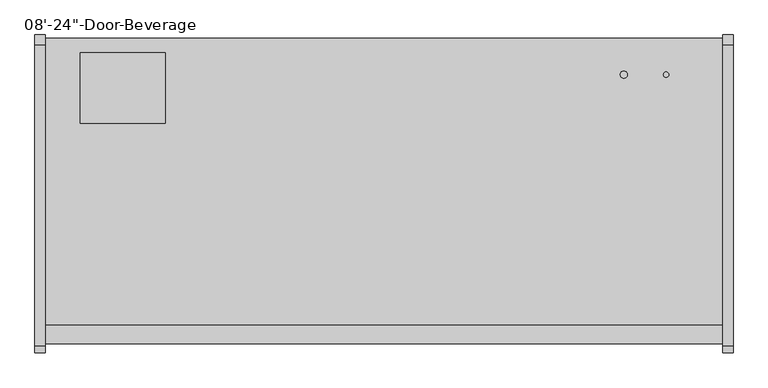
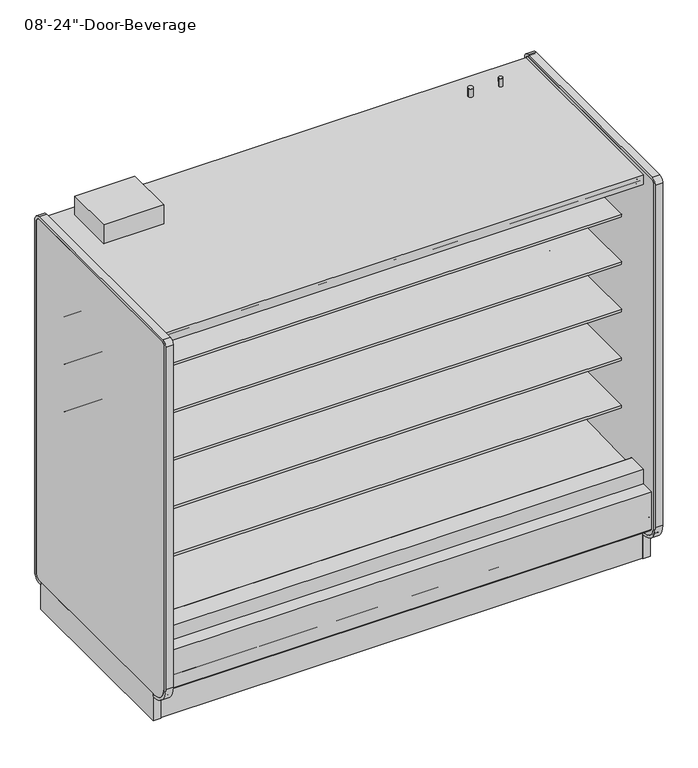
"""IFC4 building model written with IfcOpenShell, lengths in millimetres: proxy geometry."""

from ifc_helpers import new_model, si_unit, point, frame, frame_2d, origin, origin_with_axes, place, context, project, spatial, polyline, circle_curve, trimmed, segment, composite_curve, outline, extrude, faceted_brep, source, transform, mapped, element, save
from ifc_brep_helpers import plane_surface, revolved_surface, advanced_brep


def proxy_0d0b4dbd(model_context):
    return source(origin(), model_context, "Body", "SolidModel", [
        extrude(outline(polyline([(-450.677044, 418.2554484), (-450.677044, 1911.8336138), (-349.0071273, 1911.8336138), (-349.0071273, 477.974025), (-399.1724764, 477.974025), (-399.1724764, 418.2554484), (-450.677044, 418.2554484)])), frame((1192.557246, 0.0, 0.0), z_axis=(1.0, 0.0, 0.0), x_axis=(0.0, 1.0, 0.0)), (0.0, 0.0, 1.0), 25.4),
        extrude(outline(polyline([(-450.677044, 418.2554484), (-450.677044, 1911.8336138), (-349.0071273, 1911.8336138), (-349.0071273, 477.974025), (-399.1724764, 477.974025), (-399.1724764, 418.2554484), (-450.677044, 418.2554484)])), frame((-1.242754, 0.0, 0.0), z_axis=(1.0, 0.0, 0.0), x_axis=(0.0, 1.0, 0.0)), (0.0, 0.0, 1.0), 25.4),
        extrude(outline(polyline([(1166.7470715, -332.5539022), (1166.7470715, -339.9912264), (606.3595715, -339.9912264), (606.3595715, -332.5539022), (1166.7470715, -332.5539022)])), frame((0.0, 0.0, 472.0341995), z_axis=(0.0, 0.0, 1.0), x_axis=(1.0, 0.0, 0.0)), (0.0, 0.0, 1.0), 1479.0767398),
        extrude(outline(polyline([(610.3549205, -314.5912264), (610.3549205, -322.0285506), (51.5549205, -322.0285506), (51.5549205, -314.5912264), (610.3549205, -314.5912264)])), frame((0.0, 0.0, 472.0341995), z_axis=(0.0, 0.0, 1.0), x_axis=(1.0, 0.0, 0.0)), (0.0, 0.0, 1.0), 1479.0767398),
        faceted_brep([(75.7512849, -339.9912264, 497.8180639), (75.7512849, -349.0071273, 497.8180639), (1140.9632071, -349.0071273, 497.8180639), (1140.9632071, -339.9912264, 497.8180639), (49.9674205, -332.5539022, 472.0341995), (49.9674205, -339.9912264, 472.0341995), (1166.7470715, -339.9912264, 472.0341995), (1166.7470715, -332.5539022, 472.0341995), (59.8954538, -322.0285506, 481.9622328), (59.8954538, -332.5539022, 481.9622328), (1156.8190382, -332.5539022, 481.9622328), (1156.8190382, -322.0285506, 481.9622328), (49.9674205, -314.5912264, 472.0341995), (49.9674205, -322.0285506, 472.0341995), (1166.7470715, -322.0285506, 472.0341995), (1166.7470715, -314.5912264, 472.0341995), (75.7512849, -298.2071273, 497.8180639), (75.7512849, -314.5912264, 497.8180639), (1140.9632071, -314.5912264, 497.8180639), (1140.9632071, -298.2071273, 497.8180639), (-1.864131, -349.0071273, 420.202648), (-1.864131, -298.2071273, 420.202648), (1218.578623, -298.2071273, 420.202648), (1218.578623, -349.0071273, 420.202648), (1140.9632071, -349.0071273, 1925.3270748), (1140.9632071, -339.9912264, 1925.3270748), (1166.7470715, -339.9912264, 1951.1109393), (1166.7470715, -332.5539022, 1951.1109393), (1156.8190382, -332.5539022, 1941.1829059), (1156.8190382, -322.0285506, 1941.1829059), (1166.7470715, -322.0285506, 1951.1109393), (1166.7470715, -314.5912264, 1951.1109393), (1140.9632071, -314.5912264, 1925.3270748), (1140.9632071, -298.2071273, 1925.3270748), (1218.578623, -298.2071273, 2002.9424908), (1218.578623, -349.0071273, 2002.9424908), (75.7512849, -349.0071273, 1925.3270748), (75.7512849, -339.9912264, 1925.3270748), (49.9674205, -339.9912264, 1951.1109393), (49.9674205, -332.5539022, 1951.1109393), (59.8954538, -332.5539022, 1941.1829059), (59.8954538, -322.0285506, 1941.1829059), (49.9674205, -322.0285506, 1951.1109393), (49.9674205, -314.5912264, 1951.1109393), (75.7512849, -314.5912264, 1925.3270748), (75.7512849, -298.2071273, 1925.3270748), (-1.864131, -298.2071273, 2002.9424908), (-1.864131, -349.0071273, 2002.9424908)], [[[0, 1, 2, 3]], [[4, 5, 6, 7]], [[8, 9, 10, 11]], [[12, 13, 14, 15]], [[16, 17, 18, 19]], [[20, 21, 22, 23]], [[3, 2, 24, 25]], [[7, 6, 26, 27]], [[11, 10, 28, 29]], [[15, 14, 30, 31]], [[19, 18, 32, 33]], [[23, 22, 34, 35]], [[25, 24, 36, 37]], [[27, 26, 38, 39]], [[29, 28, 40, 41]], [[31, 30, 42, 43]], [[33, 32, 44, 45]], [[35, 34, 46, 47]], [[23, 35, 47, 20], [1, 36, 24, 2]], [[37, 36, 1, 0]], [[5, 38, 26, 6], [3, 25, 37, 0]], [[39, 38, 5, 4]], [[7, 27, 39, 4], [9, 40, 28, 10]], [[41, 40, 9, 8]], [[13, 42, 30, 14], [11, 29, 41, 8]], [[43, 42, 13, 12]], [[15, 31, 43, 12], [17, 44, 32, 18]], [[45, 44, 17, 16]], [[21, 46, 34, 22], [19, 33, 45, 16]], [[47, 46, 21, 20]]]),
        extrude(outline(polyline([(-450.677044, 418.2554484), (-450.677044, 1911.8336138), (-349.0071273, 1911.8336138), (-349.0071273, 477.974025), (-399.1724764, 477.974025), (-399.1724764, 418.2554484), (-450.677044, 418.2554484)])), frame((2413.0, 0.0, 0.0), z_axis=(1.0, 0.0, 0.0), x_axis=(0.0, 1.0, 0.0)), (0.0, 0.0, 1.0), 25.4),
        extrude(outline(polyline([(-450.677044, 418.2554484), (-450.677044, 1911.8336138), (-349.0071273, 1911.8336138), (-349.0071273, 477.974025), (-399.1724764, 477.974025), (-399.1724764, 418.2554484), (-450.677044, 418.2554484)])), frame((1219.2, 0.0, 0.0), z_axis=(1.0, 0.0, 0.0), x_axis=(0.0, 1.0, 0.0)), (0.0, 0.0, 1.0), 25.4),
        extrude(outline(polyline([(2387.1898255, -332.5539022), (2387.1898255, -339.9912264), (1826.8023255, -339.9912264), (1826.8023255, -332.5539022), (2387.1898255, -332.5539022)])), frame((0.0, 0.0, 472.0341995), z_axis=(0.0, 0.0, 1.0), x_axis=(1.0, 0.0, 0.0)), (0.0, 0.0, 1.0), 1479.0767398),
        extrude(outline(polyline([(1830.7976745, -314.5912264), (1830.7976745, -322.0285506), (1271.9976745, -322.0285506), (1271.9976745, -314.5912264), (1830.7976745, -314.5912264)])), frame((0.0, 0.0, 472.0341995), z_axis=(0.0, 0.0, 1.0), x_axis=(1.0, 0.0, 0.0)), (0.0, 0.0, 1.0), 1479.0767398),
        faceted_brep([(1296.1940389, -339.9912264, 497.8180639), (1296.1940389, -349.0071273, 497.8180639), (2361.4059611, -349.0071273, 497.8180639), (2361.4059611, -339.9912264, 497.8180639), (1270.4101745, -332.5539022, 472.0341995), (1270.4101745, -339.9912264, 472.0341995), (2387.1898255, -339.9912264, 472.0341995), (2387.1898255, -332.5539022, 472.0341995), (1280.3382078, -322.0285506, 481.9622328), (1280.3382078, -332.5539022, 481.9622328), (2377.2617922, -332.5539022, 481.9622328), (2377.2617922, -322.0285506, 481.9622328), (1270.4101745, -314.5912264, 472.0341995), (1270.4101745, -322.0285506, 472.0341995), (2387.1898255, -322.0285506, 472.0341995), (2387.1898255, -314.5912264, 472.0341995), (1296.1940389, -298.2071273, 497.8180639), (1296.1940389, -314.5912264, 497.8180639), (2361.4059611, -314.5912264, 497.8180639), (2361.4059611, -298.2071273, 497.8180639), (1218.578623, -349.0071273, 420.202648), (1218.578623, -298.2071273, 420.202648), (2439.021377, -298.2071273, 420.202648), (2439.021377, -349.0071273, 420.202648), (2361.4059611, -349.0071273, 1925.3270748), (2361.4059611, -339.9912264, 1925.3270748), (2387.1898255, -339.9912264, 1951.1109393), (2387.1898255, -332.5539022, 1951.1109393), (2377.2617922, -332.5539022, 1941.1829059), (2377.2617922, -322.0285506, 1941.1829059), (2387.1898255, -322.0285506, 1951.1109393), (2387.1898255, -314.5912264, 1951.1109393), (2361.4059611, -314.5912264, 1925.3270748), (2361.4059611, -298.2071273, 1925.3270748), (2439.021377, -298.2071273, 2002.9424908), (2439.021377, -349.0071273, 2002.9424908), (1296.1940389, -349.0071273, 1925.3270748), (1296.1940389, -339.9912264, 1925.3270748), (1270.4101745, -339.9912264, 1951.1109393), (1270.4101745, -332.5539022, 1951.1109393), (1280.3382078, -332.5539022, 1941.1829059), (1280.3382078, -322.0285506, 1941.1829059), (1270.4101745, -322.0285506, 1951.1109393), (1270.4101745, -314.5912264, 1951.1109393), (1296.1940389, -314.5912264, 1925.3270748), (1296.1940389, -298.2071273, 1925.3270748), (1218.578623, -298.2071273, 2002.9424908), (1218.578623, -349.0071273, 2002.9424908)], [[[0, 1, 2, 3]], [[4, 5, 6, 7]], [[8, 9, 10, 11]], [[12, 13, 14, 15]], [[16, 17, 18, 19]], [[20, 21, 22, 23]], [[3, 2, 24, 25]], [[7, 6, 26, 27]], [[11, 10, 28, 29]], [[15, 14, 30, 31]], [[19, 18, 32, 33]], [[23, 22, 34, 35]], [[25, 24, 36, 37]], [[27, 26, 38, 39]], [[29, 28, 40, 41]], [[31, 30, 42, 43]], [[33, 32, 44, 45]], [[35, 34, 46, 47]], [[23, 35, 47, 20], [1, 36, 24, 2]], [[37, 36, 1, 0]], [[5, 38, 26, 6], [3, 25, 37, 0]], [[39, 38, 5, 4]], [[7, 27, 39, 4], [9, 40, 28, 10]], [[41, 40, 9, 8]], [[13, 42, 30, 14], [11, 29, 41, 8]], [[43, 42, 13, 12]], [[15, 31, 43, 12], [17, 44, 32, 18]], [[45, 44, 17, 16]], [[21, 46, 34, 22], [19, 33, 45, 16]], [[47, 46, 21, 20]]]),
        extrude(outline(composite_curve([segment(polyline([(-450.677044, 1628.6799003), (-460.4297959, 1628.4899734)]), True, "CONTINUOUS"), segment(trimmed(circle_curve(frame_2d((-460.9177416, 1653.5460013)), 25.0607786), [point((-460.4297959, 1628.4899734))], [point((-476.8250642, 1634.1810921))], False, "CARTESIAN"), True, "CONTINUOUS"), segment(polyline([(-476.8250642, 1634.1810921), (-515.0467648, 1665.2643606)]), True, "CONTINUOUS"), segment(trimmed(circle_curve(frame_2d((-555.1112379, 1615.9988758)), 63.5), [point((-515.0467648, 1665.2643606))], [point((-548.2582285, 1679.1279996))], True, "CARTESIAN"), True, "CONTINUOUS"), segment(polyline([(-548.2582285, 1679.1279996), (-1024.1909018, 1708.3968492), (-1024.1909018, 1716.0228161), (-1136.477044, 1716.0228161), (-1136.477044, 1729.5165661), (-450.677044, 1729.5165661), (-450.677044, 1628.6799003)]), True, "CONTINUOUS")], self_intersect=False)), frame((0.0, 0.0, 0.0), z_axis=(1.0, 0.0, 0.0), x_axis=(0.0, 1.0, 0.0)), (0.0, 0.0, 1.0), 2438.4),
        extrude(outline(composite_curve([segment(polyline([(-450.677044, 606.808004), (-461.7849362, 606.5916869)]), True, "CONTINUOUS"), segment(trimmed(circle_curve(frame_2d((-462.2728819, 631.6477147)), 25.0607786), [point((-461.7849362, 606.5916869))], [point((-478.1802045, 612.2828055))], False, "CARTESIAN"), True, "CONTINUOUS"), segment(polyline([(-478.1802045, 612.2828055), (-516.4019051, 643.3660741)]), True, "CONTINUOUS"), segment(trimmed(circle_curve(frame_2d((-556.4663782, 594.1005893)), 63.5), [point((-516.4019051, 643.3660741))], [point((-549.6133688, 657.229713))], True, "CARTESIAN"), True, "CONTINUOUS"), segment(polyline([(-549.6133688, 657.229713), (-1025.5460421, 686.4985627), (-1025.5460421, 694.1245295), (-1136.477044, 694.1245295), (-1136.477044, 707.6182795), (-450.677044, 707.6182795), (-450.677044, 606.808004)]), True, "CONTINUOUS")], self_intersect=False)), frame((0.0, 0.0, 0.0), z_axis=(1.0, 0.0, 0.0), x_axis=(0.0, 1.0, 0.0)), (0.0, 0.0, 1.0), 2438.4),
        extrude(outline(composite_curve([segment(polyline([(-450.677044, 860.808004), (-461.7849362, 860.5916869)]), True, "CONTINUOUS"), segment(trimmed(circle_curve(frame_2d((-462.2728819, 885.6477147)), 25.0607786), [point((-461.7849362, 860.5916869))], [point((-478.1802045, 866.2828055))], False, "CARTESIAN"), True, "CONTINUOUS"), segment(polyline([(-478.1802045, 866.2828055), (-516.4019051, 897.3660741)]), True, "CONTINUOUS"), segment(trimmed(circle_curve(frame_2d((-556.4663782, 848.1005893)), 63.5), [point((-516.4019051, 897.3660741))], [point((-549.6133688, 911.229713))], True, "CARTESIAN"), True, "CONTINUOUS"), segment(polyline([(-549.6133688, 911.229713), (-1025.5460421, 940.4985627), (-1025.5460421, 948.1245295), (-1136.477044, 948.1245295), (-1136.477044, 961.6182795), (-450.677044, 961.6182795), (-450.677044, 860.808004)]), True, "CONTINUOUS")], self_intersect=False)), frame((0.0, 0.0, 0.0), z_axis=(1.0, 0.0, 0.0), x_axis=(0.0, 1.0, 0.0)), (0.0, 0.0, 1.0), 2438.4),
        extrude(outline(composite_curve([segment(polyline([(-450.677044, 1121.158004), (-461.7849362, 1120.9416869)]), True, "CONTINUOUS"), segment(trimmed(circle_curve(frame_2d((-462.2728819, 1145.9977147)), 25.0607786), [point((-461.7849362, 1120.9416869))], [point((-478.1802045, 1126.6328055))], False, "CARTESIAN"), True, "CONTINUOUS"), segment(polyline([(-478.1802045, 1126.6328055), (-516.4019051, 1157.7160741)]), True, "CONTINUOUS"), segment(trimmed(circle_curve(frame_2d((-556.4663782, 1108.4505893)), 63.5), [point((-516.4019051, 1157.7160741))], [point((-549.6133688, 1171.579713))], True, "CARTESIAN"), True, "CONTINUOUS"), segment(polyline([(-549.6133688, 1171.579713), (-1025.5460421, 1200.8485627), (-1025.5460421, 1208.4745295), (-1136.477044, 1208.4745295), (-1136.477044, 1221.9682795), (-450.677044, 1221.9682795), (-450.677044, 1121.158004)]), True, "CONTINUOUS")], self_intersect=False)), frame((0.0, 0.0, 0.0), z_axis=(1.0, 0.0, 0.0), x_axis=(0.0, 1.0, 0.0)), (0.0, 0.0, 1.0), 2438.4),
        extrude(outline(composite_curve([segment(polyline([(-450.677044, 1375.158004), (-461.7849362, 1374.9416869)]), True, "CONTINUOUS"), segment(trimmed(circle_curve(frame_2d((-462.2728819, 1399.9977147)), 25.0607786), [point((-461.7849362, 1374.9416869))], [point((-478.1802045, 1380.6328055))], False, "CARTESIAN"), True, "CONTINUOUS"), segment(polyline([(-478.1802045, 1380.6328055), (-516.4019051, 1411.7160741)]), True, "CONTINUOUS"), segment(trimmed(circle_curve(frame_2d((-556.4663782, 1362.4505893)), 63.5), [point((-516.4019051, 1411.7160741))], [point((-549.6133688, 1425.579713))], True, "CARTESIAN"), True, "CONTINUOUS"), segment(polyline([(-549.6133688, 1425.579713), (-1025.5460421, 1454.8485627), (-1025.5460421, 1462.4745295), (-1136.477044, 1462.4745295), (-1136.477044, 1475.9682795), (-450.677044, 1475.9682795), (-450.677044, 1375.158004)]), True, "CONTINUOUS")], self_intersect=False)), frame((0.0, 0.0, 0.0), z_axis=(1.0, 0.0, 0.0), x_axis=(0.0, 1.0, 0.0)), (0.0, 0.0, 1.0), 2438.4),
        extrude(outline(polyline([(0.0, -76.1999999), (0.0, 0.0), (2438.4, 0.0), (2438.4, -76.1999999), (0.0, -76.1999999)])), frame((2438.4, -1261.1580888, 1976.4637108), z_axis=(0.0, 0.12186934340514825, 0.992546151641322), x_axis=(-1.0, 0.0, 0.0)), (0.0, 0.0, 1.0), 12.7),
        extrude(outline(polyline([(-1304.2914467, 0.0), (-1317.3821273, 0.0), (-1317.3821273, 203.9791746), (-1304.2914467, 192.9947894), (-1304.2914467, 0.0)])), frame((0.0, 0.0, 0.0), z_axis=(1.0, 0.0, 0.0), x_axis=(0.0, 1.0, 0.0)), (0.0, 0.0, 1.0), 2438.4),
        advanced_brep(
        [(2438.4, -349.0071273, 130.5306), (2438.4, -349.0071273, 2002.9424908), (2438.4, -298.2071273, 2002.9424908), (2438.4, -298.2071273, 2057.4), (2438.4, -1328.759197, 2057.4), (2438.4, -1328.759197, 2005.9326079), (2438.4, -399.1724764, 2005.9326079), (2438.4, -399.1724764, 360.5272264), (2438.4, -539.0439073, 214.6079754), (2438.4, -995.8281408, 195.2666415), (2438.4, -1047.2594341, 157.9054484), (2438.4, -1114.0496149, 157.9054484), (2438.4, -1172.185644, 190.034038), (2438.4, -1328.4651974, 339.4494287), (2438.4, -1328.4651974, 393.4200242), (2438.4, -1380.3487273, 393.4200242), (2438.4, -1380.3487273, 256.8144254), (2438.4, -1229.8495247, 130.5306), (0.0, -349.0071273, 130.5306), (0.0, -1229.8495247, 130.5306), (0.0, -1380.3487273, 256.8144254), (0.0, -1380.3487273, 393.4200242), (0.0, -1328.4651974, 393.4200242), (0.0, -1328.4651974, 339.4494287), (0.0, -1172.185644, 190.034038), (0.0, -1114.0496149, 157.9054484), (0.0, -1047.2594341, 157.9054484), (0.0, -995.8281408, 195.2666415), (0.0, -539.0439073, 214.6079754), (0.0, -399.1724764, 360.5272264), (0.0, -399.1724764, 2005.9326079), (0.0, -1328.759197, 2005.9326079), (0.0, -1328.759197, 2057.4), (0.0, -298.2071273, 2057.4), (0.0, -298.2071273, 2002.9424908), (0.0, -349.0071273, 2002.9424908), (2336.8, -349.0071273, 303.2125), (2336.8, -349.0071273, 404.8125), (2336.8, -390.6253644, 303.2125), (2336.8, -390.6253644, 404.8125)],
        [
            (0, 1),
            (1, 2),
            (2, 3),
            (3, 4),
            (4, 5),
            (5, 6),
            (6, 7),
            (7, 8, circle_curve(frame((2438.4, -545.2224764, 360.5272264), z_axis=(-1.0, 0.0, 0.0), x_axis=(0.0, 1.0, 0.0)), 146.05)),
            (8, 9),
            (9, 10),
            (10, 11),
            (11, 12),
            (12, 13, circle_curve(frame((2438.4, -1177.4681139, 340.9461144), z_axis=(-1.0, 0.0, 0.0), x_axis=(0.0, 1.0, 0.0)), 151.0045009)),
            (13, 14),
            (14, 15),
            (15, 16),
            (16, 17),
            (17, 0),
            (18, 19),
            (19, 20),
            (20, 21),
            (21, 22),
            (22, 23),
            (23, 24, circle_curve(frame((0.0, -1177.4681139, 340.9461144), z_axis=(1.0, 0.0, 0.0), x_axis=(0.0, 1.0, 0.0)), 151.0045009)),
            (24, 25),
            (25, 26),
            (26, 27),
            (27, 28),
            (28, 29, circle_curve(frame((0.0, -545.2224764, 360.5272264), z_axis=(1.0, 0.0, 0.0), x_axis=(0.0, 1.0, 0.0)), 146.05)),
            (29, 30),
            (30, 31),
            (31, 32),
            (32, 33),
            (33, 34),
            (34, 35),
            (35, 18),
            (0, 18),
            (35, 1),
            (36, 37, circle_curve(frame((2336.8, -349.0071273, 354.0125), z_axis=(0.0, -1.0, 0.0), x_axis=(0.0, 0.0, 1.0)), 50.8)),
            (37, 36, circle_curve(frame((2336.8, -349.0071273, 354.0125), z_axis=(0.0, -1.0, 0.0), x_axis=(0.0, 0.0, 1.0)), 50.8)),
            (6, 30),
            (29, 7),
            (13, 23),
            (22, 14),
            (21, 15),
            (20, 16),
            (19, 17),
            (38, 39, circle_curve(frame((2336.8, -390.6253644, 354.0125), z_axis=(0.0, 1.0, 0.0), x_axis=(0.0, 0.0, 1.0)), 50.8)),
            (39, 38, circle_curve(frame((2336.8, -390.6253644, 354.0125), z_axis=(0.0, 1.0, 0.0), x_axis=(0.0, 0.0, 1.0)), 50.8)),
            (39, 37),
            (36, 38),
            (8, 28),
            (27, 9),
            (26, 10),
            (25, 11),
            (24, 12),
            (34, 2),
            (33, 3),
            (32, 4),
            (31, 5),
        ],
        [
            plane_surface(frame((2438.4, -349.0071273, 2052.7067079), z_axis=(1.0, 0.0, 0.0), x_axis=(0.0, 0.0, 1.0))),
            plane_surface(frame((0.0, -349.0071273, 2052.7067079), z_axis=(-1.0, 0.0, 0.0), x_axis=(0.0, 0.0, -1.0))),
            plane_surface(frame((2438.4, -349.0071273, 130.5306), z_axis=(0.0, 1.0, 0.0), x_axis=(-1.0, 0.0, 0.0))),
            plane_surface(frame((2438.4, -399.1724764, 2005.9326079), z_axis=(0.0, -1.0, 0.0), x_axis=(-1.0, 0.0, 0.0))),
            plane_surface(frame((2438.4, -1328.4651974, 339.4494287), z_axis=(0.0, 1.0, 0.0), x_axis=(-1.0, 0.0, 0.0))),
            plane_surface(frame((2438.4, -1328.4651974, 393.4200242), z_axis=(0.0, 0.0, 1.0), x_axis=(-1.0, 0.0, 0.0))),
            plane_surface(frame((2438.4, -1380.3487273, 393.4200242), z_axis=(0.0, -1.0, 0.0), x_axis=(-1.0, 0.0, 0.0))),
            plane_surface(frame((2438.4, -1380.3487273, 256.8144254), z_axis=(0.0, -0.6427876096877219, -0.7660444431179858), x_axis=(-1.0, 0.0, 0.0))),
            plane_surface(frame((2438.4, -1229.8495247, 130.5306), z_axis=(0.0, 0.0, -1.0), x_axis=(-1.0, 0.0, 0.0))),
            plane_surface(frame((2336.8, -390.6253644, 404.8125), z_axis=(0.0, 1.0, 0.0), x_axis=(-1.0, 0.0, 0.0))),
            revolved_surface(polyline([(2336.8, -390.6253644, 404.8125), (2336.8, -349.0071273, 404.8125)]), (2336.8, -349.0071273, 354.0125), (0.0, -1.0, 0.0)),
            plane_surface(frame((2438.4, -539.0439073, 214.6079754), z_axis=(0.0, -0.042304478685116616, 0.9991047648185752), x_axis=(-1.0, 0.0, 0.0))),
            plane_surface(frame((2438.4, -995.8281408, 195.2666415), z_axis=(0.0, -0.5877252382161491, 0.8090605937528851), x_axis=(-1.0, 0.0, 0.0))),
            plane_surface(frame((2438.4, -1047.2594341, 157.9054484), z_axis=(0.0, 0.0, 1.0), x_axis=(-1.0, 0.0, 0.0))),
            plane_surface(frame((2438.4, -1114.0496149, 157.9054484), z_axis=(0.0, 0.48369515293242177, 0.8752365389023022), x_axis=(-1.0, 0.0, 0.0))),
            revolved_surface(polyline([(0.0, -1026.463613, 340.9461144), (2438.4, -1026.463613, 340.9461144)]), (0.0, -1177.4681139, 340.9461144), (-1.0, 0.0, 0.0)),
            revolved_surface(polyline([(0.0, -399.1724764, 360.5272264), (2438.4, -399.1724764, 360.5272264)]), (0.0, -545.2224764, 360.5272264), (-1.0, 0.0, 0.0)),
            plane_surface(frame((2438.4, -349.0071273, 2002.9424908), z_axis=(0.0, 0.0, -1.0), x_axis=(-1.0, 0.0, 0.0))),
            plane_surface(frame((2438.4, -298.2071273, 2002.9424908), z_axis=(0.0, 1.0, 0.0), x_axis=(-1.0, 0.0, 0.0))),
            plane_surface(frame((2438.4, -298.2071273, 2057.4), z_axis=(0.0, 0.0, 1.0), x_axis=(-1.0, 0.0, 0.0))),
            plane_surface(frame((2438.4, -1328.759197, 2057.4), z_axis=(0.0, -1.0, 0.0), x_axis=(-1.0, 0.0, 0.0))),
            plane_surface(frame((2438.4, -1328.759197, 2005.9326079), z_axis=(0.0, 0.0, -1.0), x_axis=(-1.0, 0.0, 0.0))),
        ],
        [
            (0, [[1, 2, 3, 4, 5, 6, 7, 8, 9, 10, 11, 12, 13, 14, 15, 16, 17, 18]]),
            (1, [[19, 20, 21, 22, 23, 24, 25, 26, 27, 28, 29, 30, 31, 32, 33, 34, 35, 36]]),
            (2, [[-1, 37, -36, 38], [39, 40]]),
            (3, [[-7, 41, -30, 42]]),
            (4, [[-14, 43, -23, 44]]),
            (5, [[-15, -44, -22, 45]]),
            (6, [[-16, -45, -21, 46]]),
            (7, [[-17, -46, -20, 47]]),
            (8, [[-18, -47, -19, -37]]),
            (9, [[48, 49]]),
            (10, [[-49, 50, -39, 51]]),
            (10, [[-48, -51, -40, -50]]),
            (11, [[-9, 52, -28, 53]]),
            (12, [[-10, -53, -27, 54]]),
            (13, [[-11, -54, -26, 55]]),
            (14, [[-12, -55, -25, 56]]),
            (15, [[-13, -56, -24, -43]]),
            (16, [[-8, -42, -29, -52]]),
            (17, [[-2, -38, -35, 57]]),
            (18, [[-3, -57, -34, 58]]),
            (19, [[-4, -58, -33, 59]]),
            (20, [[-5, -59, -32, 60]]),
            (21, [[-6, -60, -31, -41]]),
        ],
    ),
        extrude(outline(composite_curve([segment(trimmed(circle_curve(frame_2d((-1391.7731072, 202.8201131)), 6.35), [point((-1388.5989181, 197.3203837))], [point((-1398.1231072, 202.8201131))], False, "CARTESIAN"), True, "CONTINUOUS"), segment(polyline([(-1398.1231072, 202.8201131), (-1398.1231072, 404.6728), (-1328.4651974, 404.6728), (-1328.4651974, 393.4200242), (-1380.3487273, 393.4200242), (-1380.3487273, 257.4097533), (-1341.2824524, 224.6292565), (-1388.5989181, 197.3203837)]), True, "CONTINUOUS")], self_intersect=False)), frame((0.0, 0.0, 0.0), z_axis=(1.0, 0.0, 0.0), x_axis=(0.0, 1.0, 0.0)), (0.0, 0.0, 1.0), 2438.4),
        extrude(outline(composite_curve([segment(polyline([(-399.1724764, 2005.9326079), (-399.1724764, 360.3927828)]), True, "CONTINUOUS"), segment(trimmed(circle_curve(frame_2d((-545.2224764, 360.3927828)), 146.05), [point((-399.1724764, 360.3927828))], [point((-545.3063923, 214.3428069))], False, "CARTESIAN"), True, "CONTINUOUS"), segment(polyline([(-545.3063923, 214.3428069), (-995.8281408, 195.2666415), (-1047.2594341, 157.9054484), (-1114.0496149, 157.9054484), (-1172.185644, 190.034038)]), True, "CONTINUOUS"), segment(trimmed(circle_curve(frame_2d((-1177.4681139, 340.9461144)), 151.0045009), [point((-1172.185644, 190.034038))], [point((-1328.3349191, 334.4989131))], False, "CARTESIAN"), True, "CONTINUOUS"), segment(polyline([(-1328.3349191, 334.4989131), (-1328.3349191, 480.8728), (-1224.259444, 480.8728)]), True, "CONTINUOUS"), segment(trimmed(circle_curve(frame_2d((-1224.259444, 478.8154)), 2.0574), [point((-1224.259444, 480.8728))], [point((-1222.202044, 478.8154))], False, "CARTESIAN"), True, "CONTINUOUS"), segment(polyline([(-1222.202044, 478.8154), (-1222.202044, 433.9810068), (-450.677044, 455.7117539), (-450.677044, 1980.4818079), (-1183.6940906, 1980.4818079), (-1183.6940906, 1981.3471245), (-1261.2201873, 1990.8661322), (-1261.2201873, 1979.0340079)]), True, "CONTINUOUS"), segment(trimmed(circle_curve(frame_2d((-1263.7601873, 1979.0340079)), 2.54), [point((-1261.2201873, 1979.0340079))], [point((-1263.7601873, 1976.4940079))], False, "CARTESIAN"), True, "CONTINUOUS"), segment(polyline([(-1263.7601873, 1976.4940079), (-1272.9803873, 1976.4940079)]), True, "CONTINUOUS"), segment(trimmed(circle_curve(frame_2d((-1272.9803873, 1979.0340079)), 2.54), [point((-1272.9803873, 1976.4940079))], [point((-1275.5203873, 1979.0340079))], False, "CARTESIAN"), True, "CONTINUOUS"), segment(polyline([(-1275.5203873, 1979.0340079), (-1275.5203873, 1999.3540079)]), True, "CONTINUOUS"), segment(trimmed(circle_curve(frame_2d((-1278.0603873, 1999.3540079)), 2.54), [point((-1275.5203873, 1999.3540079))], [point((-1278.0603873, 2001.8940079))], True, "CARTESIAN"), True, "CONTINUOUS"), segment(polyline([(-1278.0603873, 2001.8940079), (-1292.0303873, 2001.8940079)]), True, "CONTINUOUS"), segment(trimmed(circle_curve(frame_2d((-1292.0303873, 2004.4340079)), 2.54), [point((-1292.0303873, 2001.8940079))], [point((-1294.5703873, 2004.4340079))], False, "CARTESIAN"), True, "CONTINUOUS"), segment(polyline([(-1294.5703873, 2004.4340079), (-1294.5703873, 2005.9326079), (-399.1724764, 2005.9326079)]), True, "CONTINUOUS")], self_intersect=False)), frame((0.0, 0.0, 0.0), z_axis=(1.0, 0.0, 0.0), x_axis=(0.0, 1.0, 0.0)), (0.0, 0.0, 1.0), 2438.4),
        extrude(outline(polyline([(457.2, -1234.8321273), (457.2, -1298.744384), (254.0, -1298.744384), (254.0, -1234.8321273), (457.2, -1234.8321273)])), frame((0.0, 0.0, 44.45), z_axis=(0.0, 0.0, 1.0), x_axis=(1.0, 0.0, 0.0)), (0.0, 0.0, 1.0), 6.35),
        advanced_brep(
        [(2438.4, -1317.3821273, 203.9791746), (2438.4, -1317.3821273, 0.0), (2438.4, -1155.4571273, 0.0), (2438.4, -1155.4571273, 130.5306), (2438.4, -1229.8495247, 130.5306), (0.0, -1317.3821273, 203.9791746), (0.0, -1229.8495247, 130.5306), (0.0, -1155.4571273, 130.5306), (0.0, -1155.4571273, 0.0), (0.0, -1317.3821273, 0.0), (1177.1986979, -1155.4571273, 0.0), (1261.2013021, -1155.4571273, 0.0), (2173.7434095, -1155.4571273, 0.0), (2261.7315905, -1155.4571273, 0.0), (466.3154811, -1304.2914467, 0.0), (466.3154811, -1229.3597182, 0.0), (245.6409893, -1229.3597182, 0.0), (245.6409893, -1304.2914467, 0.0), (2261.7315905, -1155.4571273, 127.0), (2173.7434095, -1155.4571273, 127.0), (1261.2013021, -1155.4571273, 127.0), (1177.1986979, -1155.4571273, 127.0), (466.3154811, -1304.2914467, 50.8), (466.3154811, -1229.3597182, 50.8), (245.6409893, -1229.3597182, 50.8), (245.6409893, -1304.2914467, 50.8)],
        [
            (0, 1),
            (1, 2),
            (2, 3),
            (3, 4),
            (4, 0),
            (5, 6),
            (6, 7),
            (7, 8),
            (8, 9),
            (9, 5),
            (0, 5),
            (9, 1),
            (8, 10),
            (10, 11, circle_curve(frame((1219.2, -1126.8821273, 0.0), z_axis=(0.0, 0.0, 1.0), x_axis=(1.0, 0.0, 0.0)), 50.8)),
            (11, 12),
            (12, 13, circle_curve(frame((2217.7375, -1130.0571273, 0.0), z_axis=(0.0, 0.0, 1.0), x_axis=(1.0, 0.0, 0.0)), 50.8)),
            (13, 2),
            (14, 15),
            (15, 16),
            (16, 17),
            (17, 14),
            (13, 18),
            (18, 19),
            (19, 12),
            (11, 20),
            (20, 21),
            (21, 10),
            (7, 3),
            (6, 4),
            (14, 22),
            (22, 23),
            (23, 15),
            (16, 24),
            (24, 25),
            (25, 17),
            (23, 24),
            (22, 25),
            (20, 21, circle_curve(frame((1219.2, -1126.8821273, 127.0), z_axis=(0.0, 0.0, -1.0), x_axis=(1.0, 0.0, 0.0)), 50.8)),
            (18, 19, circle_curve(frame((2217.7375, -1130.0571273, 127.0), z_axis=(0.0, 0.0, -1.0), x_axis=(1.0, 0.0, 0.0)), 50.8)),
        ],
        [
            plane_surface(frame((2438.4, -1317.3821273, 0.0), z_axis=(1.0, 0.0, 0.0), x_axis=(0.0, 0.0, -1.0))),
            plane_surface(frame((0.0, -1317.3821273, 0.0), z_axis=(-1.0, 0.0, 0.0), x_axis=(0.0, 0.0, 1.0))),
            plane_surface(frame((2438.4, -1317.3821273, 203.9791746), z_axis=(0.0, -1.0, 0.0), x_axis=(-1.0, 0.0, 0.0))),
            plane_surface(frame((2438.4, -1317.3821273, 0.0), z_axis=(0.0, 0.0, -1.0), x_axis=(-1.0, 0.0, 0.0))),
            plane_surface(frame((2438.4, -1155.4571273, 0.0), z_axis=(0.0, 1.0, 0.0), x_axis=(-1.0, 0.0, 0.0))),
            plane_surface(frame((2438.4, -1155.4571273, 130.5306), z_axis=(0.0, 0.0, 1.0), x_axis=(-1.0, 0.0, 0.0))),
            plane_surface(frame((2438.4, -1229.8495247, 130.5306), z_axis=(0.0, 0.6427876096877104, 0.7660444431179955), x_axis=(-1.0, 0.0, 0.0))),
            plane_surface(frame((466.3154811, -1229.3597182, 0.0), z_axis=(-1.0, 0.0, 0.0), x_axis=(0.0, 1.0, 0.0))),
            plane_surface(frame((245.6409893, -1229.3597182, 0.0), z_axis=(1.0, 0.0, 0.0), x_axis=(0.0, -1.0, 0.0))),
            plane_surface(frame((466.3154811, -1229.3597182, 0.0), z_axis=(0.0, -1.0, 0.0), x_axis=(-1.0, 0.0, 0.0))),
            plane_surface(frame((466.3154811, -1229.3597182, 50.8), z_axis=(0.0, 0.0, -1.0), x_axis=(-1.0, 0.0, 0.0))),
            plane_surface(frame((466.3154811, -1304.2914467, 50.8), z_axis=(0.0, 1.0, 0.0), x_axis=(-1.0, 0.0, 0.0))),
            plane_surface(frame((1270.0, -1126.8821273, 127.0), z_axis=(0.0, 0.0, -1.0), x_axis=(0.0, 1.0, 0.0))),
            revolved_surface(polyline([(1270.0, -1126.8821273, 127.0), (1270.0, -1126.8821273, 0.0)]), (1219.2, -1126.8821273, 0.0), (0.0, 0.0, 1.0)),
            plane_surface(frame((2268.5375, -1130.0571273, 127.0), z_axis=(0.0, 0.0, -1.0), x_axis=(0.0, 1.0, 0.0))),
            revolved_surface(polyline([(2268.5375000000004, -1130.0571273, 127.0), (2268.5375000000004, -1130.0571273, 0.0)]), (2217.7375, -1130.0571273, 0.0), (0.0, 0.0, 1.0)),
        ],
        [
            (0, [[1, 2, 3, 4, 5]]),
            (1, [[6, 7, 8, 9, 10]]),
            (2, [[-1, 11, -10, 12]]),
            (3, [[-2, -12, -9, 13, 14, 15, 16, 17], [18, 19, 20, 21]]),
            (4, [[-3, -17, 22, 23, 24, -15, 25, 26, 27, -13, -8, 28]]),
            (5, [[-4, -28, -7, 29]]),
            (6, [[-5, -29, -6, -11]]),
            (7, [[30, 31, 32, -18]]),
            (8, [[33, 34, 35, -20]]),
            (9, [[-32, 36, -33, -19]]),
            (10, [[-31, 37, -34, -36]]),
            (11, [[-30, -21, -35, -37]]),
            (12, [[38, -26]]),
            (13, [[-38, -25, -14, -27]]),
            (14, [[39, -23]]),
            (15, [[-39, -22, -16, -24]]),
        ],
    ),
        extrude(outline(composite_curve([segment(trimmed(circle_curve(frame_2d((1219.2, -1022.1071273)), 38.1), [point((1181.1, -1022.1071273))], [point((1257.3, -1022.1071273))], False, "CARTESIAN"), True, "CONTINUOUS"), segment(trimmed(circle_curve(frame_2d((1219.2, -1022.1071273)), 38.1), [point((1257.3, -1022.1071273))], [point((1181.1, -1022.1071273))], False, "CARTESIAN"), True, "CONTINUOUS")], self_intersect=False)), frame((0.0, 0.0, 61.2666507), z_axis=(0.0, 0.0, 1.0), x_axis=(1.0, 0.0, 0.0)), (0.0, 0.0, 1.0), 65.7333493),
        extrude(outline(composite_curve([segment(trimmed(circle_curve(frame_2d((2243.1375, -1130.0571273)), 12.7), [point((2230.4375, -1130.0571273))], [point((2255.8375, -1130.0571273))], False, "CARTESIAN"), True, "CONTINUOUS"), segment(trimmed(circle_curve(frame_2d((2243.1375, -1130.0571273)), 12.7), [point((2255.8375, -1130.0571273))], [point((2230.4375, -1130.0571273))], False, "CARTESIAN"), True, "CONTINUOUS")], self_intersect=False)), frame((0.0, 0.0, 61.2666507), z_axis=(0.0, 0.0, 1.0), x_axis=(1.0, 0.0, 0.0)), (0.0, 0.0, 1.0), 65.7333493),
        extrude(outline(composite_curve([segment(trimmed(circle_curve(frame_2d((2192.3375, -1130.0571273)), 9.525), [point((2182.8125, -1130.0571273))], [point((2201.8625, -1130.0571273))], False, "CARTESIAN"), True, "CONTINUOUS"), segment(trimmed(circle_curve(frame_2d((2192.3375, -1130.0571273)), 9.525), [point((2201.8625, -1130.0571273))], [point((2182.8125, -1130.0571273))], False, "CARTESIAN"), True, "CONTINUOUS")], self_intersect=False)), frame((0.0, 0.0, 61.2666507), z_axis=(0.0, 0.0, 1.0), x_axis=(1.0, 0.0, 0.0)), (0.0, 0.0, 1.0), 65.7333493),
        advanced_brep(
        [(2438.4, -349.0071273, 0.0), (2438.4, -349.0071273, 130.5306), (2438.4, -1155.4571273, 130.5306), (2438.4, -1155.4571273, 0.0), (2438.4, -1109.5212714, 0.0), (2438.4, -1109.5212714, 74.8810382), (2438.4, -394.2191273, 74.8810382), (2438.4, -394.2191273, 0.0), (0.0, -349.0071273, 0.0), (0.0, -394.2191273, 0.0), (0.0, -394.2191273, 74.8810382), (0.0, -1109.5212714, 74.8810382), (0.0, -1109.5212714, 0.0), (0.0, -1155.4571273, 0.0), (0.0, -1155.4571273, 130.5306), (0.0, -349.0071273, 130.5306), (2261.7315905, -1155.4571273, 0.0), (2268.5375, -1130.0571273, 0.0), (2264.2016649, -1109.5212714, 0.0), (1171.4586062, -1109.5212714, 0.0), (1168.4, -1126.8821273, 0.0), (1177.1986979, -1155.4571273, 0.0), (1261.2013021, -1155.4571273, 0.0), (1270.0, -1126.8821273, 0.0), (1266.9413938, -1109.5212714, 0.0), (2171.2733351, -1109.5212714, 0.0), (2166.9375, -1130.0571273, 0.0), (2173.7434095, -1155.4571273, 0.0), (2264.2016649, -1109.5212714, 74.8810382), (2171.2733351, -1109.5212714, 74.8810382), (1266.9413938, -1109.5212714, 74.8810382), (1171.4586062, -1109.5212714, 74.8810382), (1168.4, -1126.8821273, 127.0), (1270.0, -1126.8821273, 127.0), (1261.2013021, -1155.4571273, 127.0), (1177.1986979, -1155.4571273, 127.0), (2166.9375, -1130.0571273, 127.0), (2268.5375, -1130.0571273, 127.0), (2261.7315905, -1155.4571273, 127.0), (2173.7434095, -1155.4571273, 127.0)],
        [
            (0, 1),
            (1, 2),
            (2, 3),
            (3, 4),
            (4, 5),
            (5, 6),
            (6, 7),
            (7, 0),
            (8, 9),
            (9, 10),
            (10, 11),
            (11, 12),
            (12, 13),
            (13, 14),
            (14, 15),
            (15, 8),
            (0, 8),
            (15, 1),
            (14, 2),
            (3, 16),
            (16, 17, circle_curve(frame((2217.7375, -1130.0571273, 0.0), z_axis=(0.0, 0.0, 1.0), x_axis=(1.0, 0.0, 0.0)), 50.8)),
            (17, 18, circle_curve(frame((2217.7375, -1130.0571273, 0.0), z_axis=(0.0, 0.0, 1.0), x_axis=(1.0, 0.0, 0.0)), 50.8)),
            (18, 4),
            (12, 19),
            (19, 20, circle_curve(frame((1219.2, -1126.8821273, 0.0), z_axis=(0.0, 0.0, 1.0), x_axis=(1.0, 0.0, 0.0)), 50.8)),
            (20, 21, circle_curve(frame((1219.2, -1126.8821273, 0.0), z_axis=(0.0, 0.0, 1.0), x_axis=(1.0, 0.0, 0.0)), 50.8)),
            (21, 13),
            (22, 23, circle_curve(frame((1219.2, -1126.8821273, 0.0), z_axis=(0.0, 0.0, 1.0), x_axis=(1.0, 0.0, 0.0)), 50.8)),
            (23, 24, circle_curve(frame((1219.2, -1126.8821273, 0.0), z_axis=(0.0, 0.0, 1.0), x_axis=(1.0, 0.0, 0.0)), 50.8)),
            (24, 25),
            (25, 26, circle_curve(frame((2217.7375, -1130.0571273, 0.0), z_axis=(0.0, 0.0, 1.0), x_axis=(1.0, 0.0, 0.0)), 50.8)),
            (26, 27, circle_curve(frame((2217.7375, -1130.0571273, 0.0), z_axis=(0.0, 0.0, 1.0), x_axis=(1.0, 0.0, 0.0)), 50.8)),
            (27, 22),
            (5, 28),
            (28, 29, circle_curve(frame((2217.7375, -1130.0571273, 74.8810382), z_axis=(0.0, 0.0, 1.0), x_axis=(1.0, 0.0, 0.0)), 50.8)),
            (29, 30),
            (30, 31, circle_curve(frame((1219.2, -1126.8821273, 74.8810382), z_axis=(0.0, 0.0, 1.0), x_axis=(1.0, 0.0, 0.0)), 50.8)),
            (31, 11),
            (10, 6),
            (9, 7),
            (32, 33, circle_curve(frame((1219.2, -1126.8821273, 127.0), z_axis=(0.0, 0.0, -1.0), x_axis=(1.0, 0.0, 0.0)), 50.8)),
            (33, 34, circle_curve(frame((1219.2, -1126.8821273, 127.0), z_axis=(0.0, 0.0, -1.0), x_axis=(1.0, 0.0, 0.0)), 50.8)),
            (34, 35),
            (35, 32, circle_curve(frame((1219.2, -1126.8821273, 127.0), z_axis=(0.0, 0.0, -1.0), x_axis=(1.0, 0.0, 0.0)), 50.8)),
            (33, 23),
            (22, 34),
            (20, 32),
            (35, 21),
            (19, 31),
            (30, 24),
            (36, 37, circle_curve(frame((2217.7375, -1130.0571273, 127.0), z_axis=(0.0, 0.0, -1.0), x_axis=(1.0, 0.0, 0.0)), 50.8)),
            (37, 38, circle_curve(frame((2217.7375, -1130.0571273, 127.0), z_axis=(0.0, 0.0, -1.0), x_axis=(1.0, 0.0, 0.0)), 50.8)),
            (38, 39),
            (39, 36, circle_curve(frame((2217.7375, -1130.0571273, 127.0), z_axis=(0.0, 0.0, -1.0), x_axis=(1.0, 0.0, 0.0)), 50.8)),
            (37, 17),
            (16, 38),
            (26, 36),
            (39, 27),
            (25, 29),
            (28, 18),
        ],
        [
            plane_surface(frame((2438.4, -349.0071273, 2438.4), z_axis=(1.0, 0.0, 0.0), x_axis=(0.0, 0.0, 1.0))),
            plane_surface(frame((0.0, -349.0071273, 2438.4), z_axis=(-1.0, 0.0, 0.0), x_axis=(0.0, 0.0, -1.0))),
            plane_surface(frame((2438.4, -349.0071273, 0.0), z_axis=(0.0, 1.0, 0.0), x_axis=(-1.0, 0.0, 0.0))),
            plane_surface(frame((2438.4, -349.0071273, 130.5306), z_axis=(0.0, 0.0, 1.0), x_axis=(-1.0, 0.0, 0.0))),
            plane_surface(frame((2438.4, -1155.4571273, 0.0), z_axis=(0.0, 0.0, -1.0), x_axis=(-1.0, 0.0, 0.0))),
            plane_surface(frame((2438.4, -1109.5212714, 74.8810382), z_axis=(0.0, 0.0, -1.0), x_axis=(-1.0, 0.0, 0.0))),
            plane_surface(frame((2438.4, -394.2191273, 74.8810382), z_axis=(0.0, -1.0, 0.0), x_axis=(-1.0, 0.0, 0.0))),
            plane_surface(frame((2438.4, -394.2191273, 0.0), z_axis=(0.0, 0.0, -1.0), x_axis=(-1.0, 0.0, 0.0))),
            plane_surface(frame((1270.0, -1126.8821273, 127.0), z_axis=(0.0, 0.0, -1.0), x_axis=(0.0, 1.0, 0.0))),
            revolved_surface(polyline([(1270.0, -1126.8821273, 127.0), (1270.0, -1126.8821273, 0.0)]), (1219.2, -1126.8821273, 0.0), (0.0, 0.0, 1.0)),
            plane_surface(frame((2268.5375, -1130.0571273, 127.0), z_axis=(0.0, 0.0, -1.0), x_axis=(0.0, 1.0, 0.0))),
            revolved_surface(polyline([(2268.5375000000004, -1130.0571273, 127.0), (2268.5375000000004, -1130.0571273, 0.0)]), (2217.7375, -1130.0571273, 0.0), (0.0, 0.0, 1.0)),
            plane_surface(frame((2438.4, -1155.4571273, 130.5306), z_axis=(0.0, -1.0, 0.0), x_axis=(-1.0, 0.0, 0.0))),
            plane_surface(frame((2438.4, -1109.5212714, 0.0), z_axis=(0.0, 1.0, 0.0), x_axis=(-1.0, 0.0, 0.0))),
        ],
        [
            (0, [[1, 2, 3, 4, 5, 6, 7, 8]]),
            (1, [[9, 10, 11, 12, 13, 14, 15, 16]]),
            (2, [[-1, 17, -16, 18]]),
            (3, [[-2, -18, -15, 19]]),
            (4, [[-4, 20, 21, 22, 23]]),
            (4, [[-13, 24, 25, 26, 27]]),
            (4, [[28, 29, 30, 31, 32, 33]]),
            (5, [[-6, 34, 35, 36, 37, 38, -11, 39]]),
            (6, [[-7, -39, -10, 40]]),
            (7, [[-8, -40, -9, -17]]),
            (8, [[41, 42, 43, 44]]),
            (9, [[45, -28, 46, -42]]),
            (9, [[47, -44, 48, -26]]),
            (9, [[-41, -47, -25, 49, -37, 50, -29, -45]]),
            (10, [[51, 52, 53, 54]]),
            (11, [[55, -21, 56, -52]]),
            (11, [[57, -54, 58, -32]]),
            (11, [[-51, -57, -31, 59, -35, 60, -22, -55]]),
            (12, [[-3, -19, -14, -27, -48, -43, -46, -33, -58, -53, -56, -20]]),
            (13, [[-5, -23, -60, -34]]),
            (13, [[-12, -38, -49, -24]]),
            (13, [[-50, -36, -59, -30]]),
        ],
    ),
        extrude(outline(polyline([(430.557246, -349.0071273), (430.557246, -603.0071273), (125.757246, -603.0071273), (125.757246, -349.0071273), (430.557246, -349.0071273)])), frame((0.0, 0.0, 2058.2195947), z_axis=(0.0, 0.0, 1.0), x_axis=(1.0, 0.0, 0.0)), (0.0, 0.0, 1.0), 100.7804053),
        extrude(outline(composite_curve([segment(trimmed(circle_curve(frame_2d((2235.2, -428.3821273)), 9.525), [point((2225.675, -428.3821273))], [point((2244.725, -428.3821273))], False, "CARTESIAN"), True, "CONTINUOUS"), segment(trimmed(circle_curve(frame_2d((2235.2, -428.3821273)), 9.525), [point((2244.725, -428.3821273))], [point((2225.675, -428.3821273))], False, "CARTESIAN"), True, "CONTINUOUS")], self_intersect=False)), frame((0.0, 0.0, 2058.2195947), z_axis=(0.0, 0.0, 1.0), x_axis=(1.0, 0.0, 0.0)), (0.0, 0.0, 1.0), 44.45),
        extrude(outline(composite_curve([segment(trimmed(circle_curve(frame_2d((2082.8, -428.3821273)), 12.7), [point((2070.1, -428.3821273))], [point((2095.5, -428.3821273))], False, "CARTESIAN"), True, "CONTINUOUS"), segment(trimmed(circle_curve(frame_2d((2082.8, -428.3821273)), 12.7), [point((2095.5, -428.3821273))], [point((2070.1, -428.3821273))], False, "CARTESIAN"), True, "CONTINUOUS")], self_intersect=False)), frame((0.0, 0.0, 2058.2195947), z_axis=(0.0, 0.0, 1.0), x_axis=(1.0, 0.0, 0.0)), (0.0, 0.0, 1.0), 44.45),
        extrude(outline(composite_curve([segment(polyline([(-1430.0946273, 232.1306), (-1430.0946273, 2063.6807921)]), True, "CONTINUOUS"), segment(trimmed(circle_curve(frame_2d((-1404.6946273, 2063.6807921)), 25.4), [point((-1430.0946273, 2063.6807921))], [point((-1404.6946273, 2089.0807921))], False, "CARTESIAN"), True, "CONTINUOUS"), segment(polyline([(-1404.6946273, 2089.0807921), (-323.6071273, 2089.0807921)]), True, "CONTINUOUS"), segment(trimmed(circle_curve(frame_2d((-323.6071273, 2050.9807921)), 38.1), [point((-323.6071273, 2089.0807921))], [point((-285.5071273, 2050.9807921))], False, "CARTESIAN"), True, "CONTINUOUS"), segment(polyline([(-285.5071273, 2050.9807921), (-285.5071273, 168.6306)]), True, "CONTINUOUS"), segment(trimmed(circle_curve(frame_2d((-323.6071273, 168.6306)), 38.1), [point((-285.5071273, 168.6306))], [point((-323.6071273, 130.5306))], False, "CARTESIAN"), True, "CONTINUOUS"), segment(polyline([(-323.6071273, 130.5306), (-336.3071273, 130.5306), (-336.3071273, 143.2306), (-323.6071273, 143.2306)]), True, "CONTINUOUS"), segment(trimmed(circle_curve(frame_2d((-323.6071273, 168.6306)), 25.4), [point((-323.6071273, 143.2306))], [point((-298.2071273, 168.6306))], True, "CARTESIAN"), True, "CONTINUOUS"), segment(polyline([(-298.2071273, 168.6306), (-298.2071273, 2050.9807921)]), True, "CONTINUOUS"), segment(trimmed(circle_curve(frame_2d((-323.6071273, 2050.9807921)), 25.4), [point((-298.2071273, 2050.9807921))], [point((-323.6071273, 2076.3807921))], True, "CARTESIAN"), True, "CONTINUOUS"), segment(polyline([(-323.6071273, 2076.3807921), (-1404.6946273, 2076.3807921)]), True, "CONTINUOUS"), segment(trimmed(circle_curve(frame_2d((-1404.6946273, 2063.6807921)), 12.7), [point((-1404.6946273, 2076.3807921))], [point((-1417.3946273, 2063.6807921))], True, "CARTESIAN"), True, "CONTINUOUS"), segment(polyline([(-1417.3946273, 2063.6807921), (-1417.3946273, 232.1306)]), True, "CONTINUOUS"), segment(trimmed(circle_curve(frame_2d((-1328.4946273, 232.1306)), 88.9), [point((-1417.3946273, 232.1306))], [point((-1328.4946273, 143.2306))], True, "CARTESIAN"), True, "CONTINUOUS"), segment(polyline([(-1328.4946273, 143.2306), (-1321.281026, 143.2306), (-1321.281026, 130.5306), (-1328.4946273, 130.5306)]), True, "CONTINUOUS"), segment(trimmed(circle_curve(frame_2d((-1328.4946273, 232.1306)), 101.6), [point((-1328.4946273, 130.5306))], [point((-1430.0946273, 232.1306))], False, "CARTESIAN"), True, "CONTINUOUS")], self_intersect=False)), frame((-38.1, 0.0, 0.0), z_axis=(1.0, 0.0, 0.0), x_axis=(0.0, 1.0, 0.0)), (0.0, 0.0, 1.0), 38.1),
        extrude(outline(polyline([(0.0, -336.3071273), (0.0, -1321.281026), (-38.1, -1321.281026), (-38.1, -336.3071273), (0.0, -336.3071273)])), origin_with_axes(), (0.0, 0.0, 1.0), 143.2306),
        extrude(outline(composite_curve([segment(polyline([(-1404.6946273, 2076.3807921), (-323.6071273, 2076.3807921)]), True, "CONTINUOUS"), segment(trimmed(circle_curve(frame_2d((-323.6071273, 2050.9807921)), 25.4), [point((-323.6071273, 2076.3807921))], [point((-298.2071273, 2050.9807921))], False, "CARTESIAN"), True, "CONTINUOUS"), segment(polyline([(-298.2071273, 2050.9807921), (-298.2071273, 168.6306)]), True, "CONTINUOUS"), segment(trimmed(circle_curve(frame_2d((-323.6071273, 168.6306)), 25.4), [point((-298.2071273, 168.6306))], [point((-323.6071273, 143.2306))], False, "CARTESIAN"), True, "CONTINUOUS"), segment(polyline([(-323.6071273, 143.2306), (-1328.4946273, 143.2306)]), True, "CONTINUOUS"), segment(trimmed(circle_curve(frame_2d((-1328.4946273, 232.1306)), 88.9), [point((-1328.4946273, 143.2306))], [point((-1417.3946273, 232.1306))], False, "CARTESIAN"), True, "CONTINUOUS"), segment(polyline([(-1417.3946273, 232.1306), (-1417.3946273, 2063.6807921)]), True, "CONTINUOUS"), segment(trimmed(circle_curve(frame_2d((-1404.6946273, 2063.6807921)), 12.7), [point((-1417.3946273, 2063.6807921))], [point((-1404.6946273, 2076.3807921))], False, "CARTESIAN"), True, "CONTINUOUS")], self_intersect=False)), frame((-38.1, 0.0, 0.0), z_axis=(1.0, 0.0, 0.0), x_axis=(0.0, 1.0, 0.0)), (0.0, 0.0, 1.0), 38.1),
        extrude(outline(composite_curve([segment(polyline([(-1430.0946273, 232.1306), (-1430.0946273, 2063.6807921)]), True, "CONTINUOUS"), segment(trimmed(circle_curve(frame_2d((-1404.6946273, 2063.6807921)), 25.4), [point((-1430.0946273, 2063.6807921))], [point((-1404.6946273, 2089.0807921))], False, "CARTESIAN"), True, "CONTINUOUS"), segment(polyline([(-1404.6946273, 2089.0807921), (-323.6071273, 2089.0807921)]), True, "CONTINUOUS"), segment(trimmed(circle_curve(frame_2d((-323.6071273, 2050.9807921)), 38.1), [point((-323.6071273, 2089.0807921))], [point((-285.5071273, 2050.9807921))], False, "CARTESIAN"), True, "CONTINUOUS"), segment(polyline([(-285.5071273, 2050.9807921), (-285.5071273, 168.6306)]), True, "CONTINUOUS"), segment(trimmed(circle_curve(frame_2d((-323.6071273, 168.6306)), 38.1), [point((-285.5071273, 168.6306))], [point((-323.6071273, 130.5306))], False, "CARTESIAN"), True, "CONTINUOUS"), segment(polyline([(-323.6071273, 130.5306), (-336.3071273, 130.5306), (-336.3071273, 143.2306), (-323.6071273, 143.2306)]), True, "CONTINUOUS"), segment(trimmed(circle_curve(frame_2d((-323.6071273, 168.6306)), 25.4), [point((-323.6071273, 143.2306))], [point((-298.2071273, 168.6306))], True, "CARTESIAN"), True, "CONTINUOUS"), segment(polyline([(-298.2071273, 168.6306), (-298.2071273, 2050.9807921)]), True, "CONTINUOUS"), segment(trimmed(circle_curve(frame_2d((-323.6071273, 2050.9807921)), 25.4), [point((-298.2071273, 2050.9807921))], [point((-323.6071273, 2076.3807921))], True, "CARTESIAN"), True, "CONTINUOUS"), segment(polyline([(-323.6071273, 2076.3807921), (-1404.6946273, 2076.3807921)]), True, "CONTINUOUS"), segment(trimmed(circle_curve(frame_2d((-1404.6946273, 2063.6807921)), 12.7), [point((-1404.6946273, 2076.3807921))], [point((-1417.3946273, 2063.6807921))], True, "CARTESIAN"), True, "CONTINUOUS"), segment(polyline([(-1417.3946273, 2063.6807921), (-1417.3946273, 232.1306)]), True, "CONTINUOUS"), segment(trimmed(circle_curve(frame_2d((-1328.4946273, 232.1306)), 88.9), [point((-1417.3946273, 232.1306))], [point((-1328.4946273, 143.2306))], True, "CARTESIAN"), True, "CONTINUOUS"), segment(polyline([(-1328.4946273, 143.2306), (-1321.281026, 143.2306), (-1321.281026, 130.5306), (-1328.4946273, 130.5306)]), True, "CONTINUOUS"), segment(trimmed(circle_curve(frame_2d((-1328.4946273, 232.1306)), 101.6), [point((-1328.4946273, 130.5306))], [point((-1430.0946273, 232.1306))], False, "CARTESIAN"), True, "CONTINUOUS")], self_intersect=False)), frame((2438.4, 0.0, 0.0), z_axis=(1.0, 0.0, 0.0), x_axis=(0.0, 1.0, 0.0)), (0.0, 0.0, 1.0), 38.1),
        extrude(outline(polyline([(2476.5, -336.3071273), (2476.5, -1321.281026), (2438.4, -1321.281026), (2438.4, -336.3071273), (2476.5, -336.3071273)])), origin_with_axes(), (0.0, 0.0, 1.0), 143.2306),
        extrude(outline(composite_curve([segment(polyline([(-1404.6946273, 2076.3807921), (-323.6071273, 2076.3807921)]), True, "CONTINUOUS"), segment(trimmed(circle_curve(frame_2d((-323.6071273, 2050.9807921)), 25.4), [point((-323.6071273, 2076.3807921))], [point((-298.2071273, 2050.9807921))], False, "CARTESIAN"), True, "CONTINUOUS"), segment(polyline([(-298.2071273, 2050.9807921), (-298.2071273, 168.6306)]), True, "CONTINUOUS"), segment(trimmed(circle_curve(frame_2d((-323.6071273, 168.6306)), 25.4), [point((-298.2071273, 168.6306))], [point((-323.6071273, 143.2306))], False, "CARTESIAN"), True, "CONTINUOUS"), segment(polyline([(-323.6071273, 143.2306), (-1328.4946273, 143.2306)]), True, "CONTINUOUS"), segment(trimmed(circle_curve(frame_2d((-1328.4946273, 232.1306)), 88.9), [point((-1328.4946273, 143.2306))], [point((-1417.3946273, 232.1306))], False, "CARTESIAN"), True, "CONTINUOUS"), segment(polyline([(-1417.3946273, 232.1306), (-1417.3946273, 2063.6807921)]), True, "CONTINUOUS"), segment(trimmed(circle_curve(frame_2d((-1404.6946273, 2063.6807921)), 12.7), [point((-1417.3946273, 2063.6807921))], [point((-1404.6946273, 2076.3807921))], False, "CARTESIAN"), True, "CONTINUOUS")], self_intersect=False)), frame((2438.4, 0.0, 0.0), z_axis=(1.0, 0.0, 0.0), x_axis=(0.0, 1.0, 0.0)), (0.0, 0.0, 1.0), 38.1),
        extrude(outline(composite_curve([segment(trimmed(circle_curve(frame_2d((354.0125, 2362.2)), 12.7), [point((341.3125, 2362.2))], [point((366.7125, 2362.2))], False, "CARTESIAN"), True, "CONTINUOUS"), segment(trimmed(circle_curve(frame_2d((354.0125, 2362.2)), 12.7), [point((366.7125, 2362.2))], [point((341.3125, 2362.2))], False, "CARTESIAN"), True, "CONTINUOUS")], self_intersect=False)), frame((0.0, -390.6253644, 0.0), z_axis=(0.0, 1.0, 0.0), x_axis=(0.0, 0.0, 1.0)), (0.0, 0.0, 1.0), 41.6182371),
        extrude(outline(composite_curve([segment(trimmed(circle_curve(frame_2d((354.0125, 2311.4)), 9.525), [point((344.4875, 2311.4))], [point((363.5375, 2311.4))], False, "CARTESIAN"), True, "CONTINUOUS"), segment(trimmed(circle_curve(frame_2d((354.0125, 2311.4)), 9.525), [point((363.5375, 2311.4))], [point((344.4875, 2311.4))], False, "CARTESIAN"), True, "CONTINUOUS")], self_intersect=False)), frame((0.0, -390.6253644, 0.0), z_axis=(0.0, 1.0, 0.0), x_axis=(0.0, 0.0, 1.0)), (0.0, 0.0, 1.0), 41.6182371),
    ])


if __name__ == "__main__":
    model = new_model("IFC4")
    model_context = context("Model", 3, world=origin())
    ifc_project = project(units=[si_unit("LENGTHUNIT", "METRE", prefix="MILLI")], contexts=[model_context])
    site = spatial("IfcSite", under=ifc_project)
    building = spatial("IfcBuilding", under=site)
    placement = place(None, origin())
    proxy_shape = proxy_0d0b4dbd(model_context)
    element("IfcBuildingElementProxy", 1, Name="08'-24\"-Door-Beverage", ObjectType="08'-24\"-Door-Beverage", at=placement, inside=building, context=model_context, shape_type="MappedRepresentation", body=[
        mapped(proxy_shape, transform((0.0, 0.0, 0.0), x_axis=(1.0, 0.0, 0.0), y_axis=(0.0, 1.0, 0.0), z_axis=(0.0, 0.0, 1.0))),
    ])
    save(model, "model.ifc")
